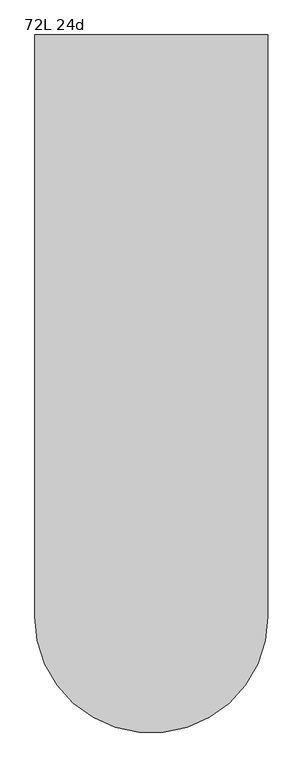
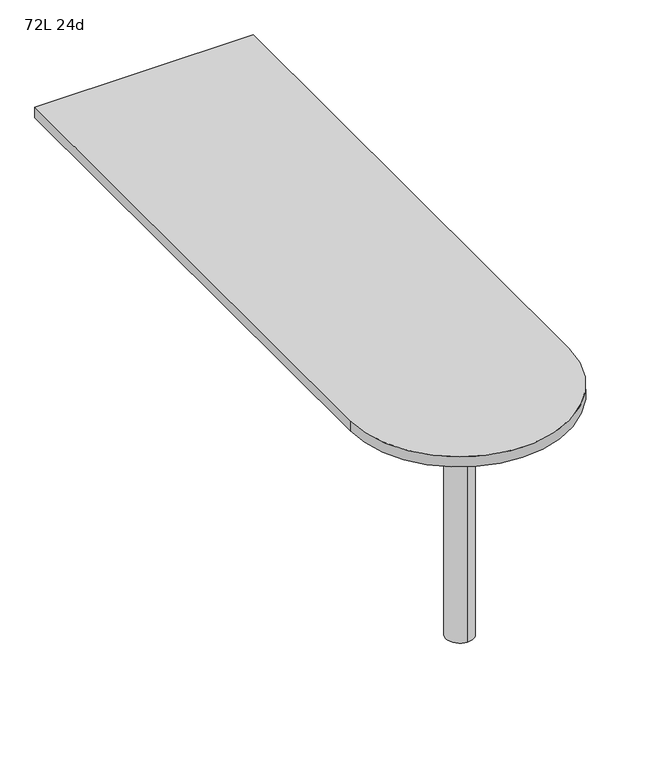
"""IFC4 building model written with IfcOpenShell, lengths in millimetres: furniture geometry, 72L 24d."""

from ifc_helpers import new_model, si_unit, point, frame, frame_2d, origin, place, context, project, spatial, polyline, circle_curve, trimmed, segment, composite_curve, outline, extrude, source, transform, mapped, element, save
from ifc_brep_helpers import plane_surface, cylinder_surface, advanced_brep


def furniture_72l_24d_62626fa9(model_context):
    return source(origin(), model_context, "Body", "SolidModel", [
        advanced_brep(
        [(0.0, -571.5, 706.4375), (0.0, -647.7, 706.4375), (0.0, -609.6, 706.4375), (0.0, -571.5, 0.0), (0.0, -647.7, 0.0), (0.0, -609.6, 0.0)],
        [
            (0, 1, circle_curve(frame((0.0, -609.6, 706.4375), z_axis=(0.0, 0.0, 1.0), x_axis=(0.0, -1.0, 0.0)), 38.1)),
            (1, 2),
            (2, 0),
            (1, 0, circle_curve(frame((0.0, -609.6, 706.4375), z_axis=(0.0, 0.0, 1.0), x_axis=(0.0, -1.0, 0.0)), 38.1)),
            (3, 4, circle_curve(frame((0.0, -609.6, 0.0), z_axis=(0.0, 0.0, 1.0), x_axis=(0.0, -1.0, 0.0)), 38.1)),
            (4, 1),
            (0, 3),
            (4, 3, circle_curve(frame((0.0, -609.6, 0.0), z_axis=(0.0, 0.0, 1.0), x_axis=(0.0, -1.0, 0.0)), 38.1)),
            (5, 4),
            (3, 5),
        ],
        [
            plane_surface(frame((0.0, -609.6, 706.4375), z_axis=(0.0, 0.0, 1.0), x_axis=(0.0, -1.0, 0.0))),
            cylinder_surface(frame((0.0, -609.6, 889.623257), z_axis=(0.0, 0.0, -1.0), x_axis=(0.0, -1.0, 0.0)), 38.1),
            plane_surface(frame((0.0, -609.6, 0.0), z_axis=(0.0, 0.0, -1.0), x_axis=(0.0, -1.0, 0.0))),
        ],
        [
            (0, [[1, 2, 3]]),
            (0, [[4, -3, -2]]),
            (1, [[5, 6, -1, 7]]),
            (1, [[8, -7, -4, -6]]),
            (2, [[9, -5, 10]]),
            (2, [[-10, -8, -9]]),
        ],
    ),
        extrude(outline(composite_curve([segment(polyline([(-304.8, -609.6), (-304.8, 914.4), (304.8, 914.4), (304.8, -609.6)]), True, "CONTINUOUS"), segment(trimmed(circle_curve(frame_2d((0.0, -609.6)), 304.8), [point((304.8, -609.6))], [point((-304.8, -609.6))], False, "CARTESIAN"), True, "CONTINUOUS")], self_intersect=False)), frame((0.0, 0.0, 706.4375), z_axis=(0.0, 0.0, 1.0), x_axis=(1.0, 0.0, 0.0)), (0.0, 0.0, 1.0), 30.1625),
    ])


if __name__ == "__main__":
    model = new_model("IFC4")
    model_context = context("Model", 3, world=origin())
    ifc_project = project(units=[si_unit("LENGTHUNIT", "METRE", prefix="MILLI")], contexts=[model_context])
    site = spatial("IfcSite", under=ifc_project)
    building = spatial("IfcBuilding", under=site)
    placement = place(None, origin())
    furniture_72l_24d_shape = furniture_72l_24d_62626fa9(model_context)
    element("IfcFurniture", 1, ObjectType="72L 24d", at=placement, inside=building, context=model_context, shape_type="MappedRepresentation", body=[
        mapped(furniture_72l_24d_shape, transform((0.0, 0.0, 0.0), x_axis=(1.0, 0.0, 0.0), y_axis=(0.0, 1.0, 0.0), z_axis=(0.0, 0.0, 1.0))),
    ])
    save(model, "model.ifc")
